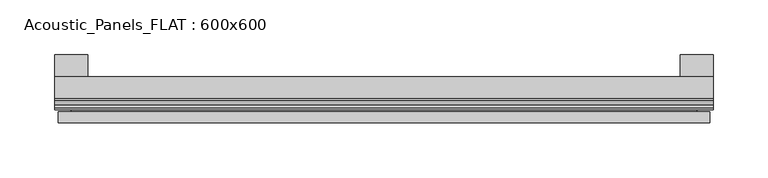
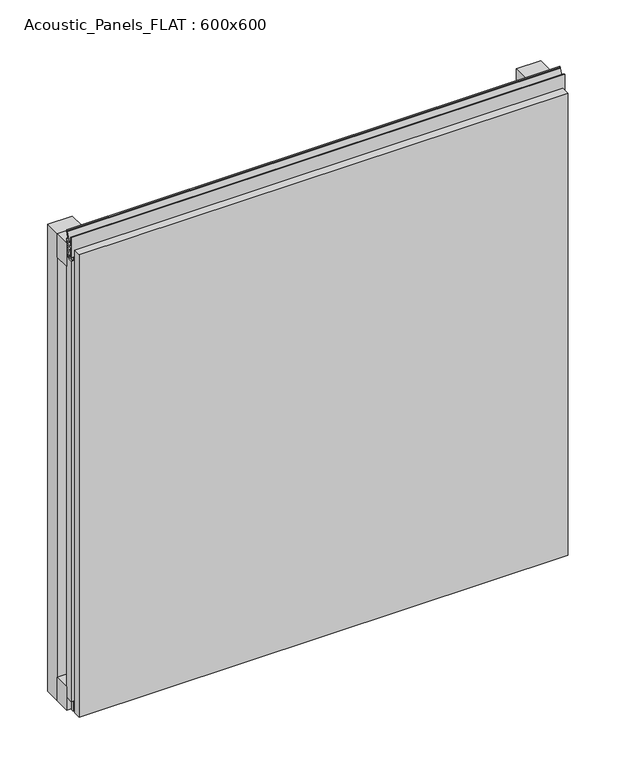
"""IFC4 building model written with IfcOpenShell, lengths in millimetres: plate geometry, Acoustic_Panels_FLAT : 600x600."""

from ifc_helpers import new_model, si_unit, frame, origin, origin_with_axes, place, context, project, spatial, polyline, outline, extrude, faceted_brep, source, transform, mapped, element, save


def acoustic_panels_flat_600x600_cdfc53ae(model_context):
    return source(origin(), model_context, "Body", "SolidModel", [
        extrude(outline(polyline([(-300.0, -40.0), (-300.0, -20.0), (300.0, -20.0), (300.0, -40.0), (-300.0, -40.0)])), frame((0.0, 0.0, 570.0), z_axis=(0.0, 0.0, 1.0), x_axis=(1.0, 0.0, 0.0)), (0.0, 0.0, 1.0), 30.0),
        extrude(outline(polyline([(-300.0, -40.0), (-300.0, -20.0), (300.0, -20.0), (300.0, -40.0), (-300.0, -40.0)])), origin_with_axes(), (0.0, 0.0, 1.0), 30.0),
        extrude(outline(polyline([(270.0, 0.0), (300.0, 0.0), (300.0, -20.0), (270.0, -20.0), (270.0, 0.0)])), origin_with_axes(), (0.0, 0.0, 1.0), 600.0),
        extrude(outline(polyline([(-270.0, 0.0), (-270.0, -20.0), (-300.0, -20.0), (-300.0, 0.0), (-270.0, 0.0)])), origin_with_axes(), (0.0, 0.0, 1.0), 600.0),
        extrude(outline(polyline([(-293.700916, -40.0), (-293.700916, -43.5), (-284.6441401, -40.0553267), (-277.008452, -40.0553267), (-277.008452, -41.4553267), (-284.4296606, -41.4553267), (-295.100916, -45.5140545), (-295.100916, -41.4), (-298.5843193, -41.4), (-298.5843193, -48.7), (-286.5843193, -48.7), (-286.5843193, -50.1), (-300.0, -50.1), (-300.0, -40.0), (-293.700916, -40.0)])), frame((0.0, 0.0, 16.9558599), z_axis=(0.0, 0.0, 1.0), x_axis=(1.0, 0.0, 0.0)), (0.0, 0.0, 1.0), 566.0882802),
        extrude(outline(polyline([(-48.7, 600.899084), (-41.4, 600.899084), (-41.4, 604.899084), (-45.5140545, 604.899084), (-41.4553267, 615.5703394), (-41.4553267, 616.9558599), (-40.0553267, 616.9558599), (-40.0553267, 615.3558599), (-43.5, 606.299084), (-40.0, 606.299084), (-40.0, 593.700916), (-43.5, 593.700916), (-40.0553267, 584.6441401), (-40.0553267, 583.0441401), (-41.4553267, 583.0441401), (-41.4553267, 584.4296606), (-45.5140545, 595.100916), (-41.4, 595.100916), (-41.4, 599.100916), (-48.7, 599.100916), (-48.7, 587.100916), (-50.1, 587.100916), (-50.1, 612.899084), (-48.7, 612.899084), (-48.7, 600.899084)])), frame((-300.0, 0.0, 0.0), z_axis=(1.0, 0.0, 0.0), x_axis=(0.0, 1.0, 0.0)), (0.0, 0.0, 1.0), 600.0),
        faceted_brep([(297.0, -45.9, 597.0), (-297.0, -45.9, 597.0), (-297.0, -48.7, 597.0), (297.0, -48.7, 597.0), (-297.0, -61.9, 597.0), (297.0, -61.9, 597.0), (297.0, -51.9, 597.0), (-297.0, -51.9, 597.0), (-297.0, -45.9, 3.0), (297.0, -45.9, 3.0), (297.0, -48.7, 3.0), (-297.0, -48.7, 3.0), (297.0, -61.9, 3.0), (-297.0, -61.9, 3.0), (-297.0, -51.9, 3.0), (297.0, -51.9, 3.0), (285.0, -51.9, 585.0), (285.0, -51.9, 15.0), (285.0, -48.7, 15.0), (285.0, -48.7, 585.0), (-285.0, -51.9, 15.0), (-285.0, -48.7, 15.0), (-285.0, -51.9, 585.0), (-285.0, -48.7, 585.0)], [[[0, 1, 2, 3]], [[4, 5, 6, 7]], [[8, 9, 10, 11]], [[12, 13, 14, 15]], [[1, 0, 9, 8]], [[1, 8, 11, 2]], [[13, 4, 7, 14]], [[5, 4, 13, 12]], [[9, 0, 3, 10]], [[5, 12, 15, 6]], [[16, 17, 18, 19]], [[18, 17, 20, 21]], [[21, 20, 22, 23]], [[16, 19, 23, 22]], [[7, 6, 15, 14], [17, 16, 22, 20]], [[3, 2, 11, 10], [19, 18, 21, 23]]]),
    ])


if __name__ == "__main__":
    model = new_model("IFC4")
    model_context = context("Model", 3, world=origin())
    ifc_project = project(units=[si_unit("LENGTHUNIT", "METRE", prefix="MILLI")], contexts=[model_context])
    site = spatial("IfcSite", under=ifc_project)
    building = spatial("IfcBuilding", under=site)
    placement = place(None, origin())
    acoustic_panels_flat_600x600_shape = acoustic_panels_flat_600x600_cdfc53ae(model_context)
    element("IfcPlate", 1, ObjectType="Acoustic_Panels_FLAT : 600x600", at=placement, inside=building, context=model_context, shape_type="MappedRepresentation", body=[
        mapped(acoustic_panels_flat_600x600_shape, transform((0.0, 0.0, 0.0), x_axis=(1.0, 0.0, 0.0), y_axis=(0.0, 1.0, 0.0), z_axis=(0.0, 0.0, 1.0))),
    ])
    save(model, "model.ifc")
